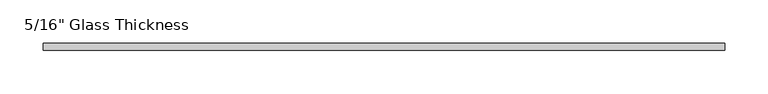
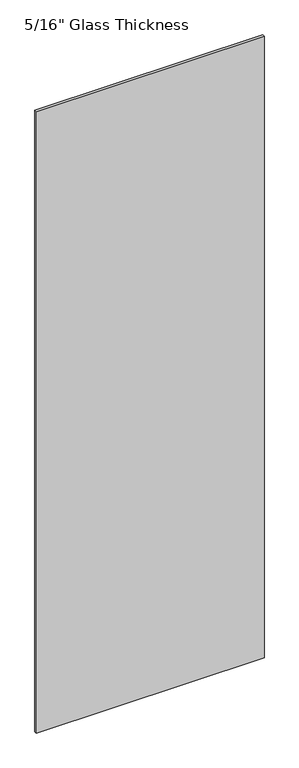
"""IFC4 building model written with IfcOpenShell, lengths in millimetres: plate geometry."""

from ifc_helpers import new_model, si_unit, origin, origin_with_axes, place, context, project, spatial, polyline, outline, extrude, source, transform, mapped, element, save


def plate_de87d7df(model_context):
    return source(origin(), model_context, "Body", "SweptSolid", [
        extrude(outline(polyline([(393.0, 0.0), (-393.0, 0.0), (-393.0, 8.0), (393.0, 8.0), (393.0, 0.0)])), origin_with_axes(), (0.0, 0.0, 1.0), 2267.0),
    ])


if __name__ == "__main__":
    model = new_model("IFC4")
    model_context = context("Model", 3, world=origin())
    ifc_project = project(units=[si_unit("LENGTHUNIT", "METRE", prefix="MILLI")], contexts=[model_context])
    site = spatial("IfcSite", under=ifc_project)
    building = spatial("IfcBuilding", under=site)
    placement = place(None, origin())
    plate_shape = plate_de87d7df(model_context)
    element("IfcPlate", 1, ObjectType="5/16\" Glass Thickness", at=placement, inside=building, context=model_context, shape_type="MappedRepresentation", body=[
        mapped(plate_shape, transform((0.0, 0.0, 0.0), x_axis=(1.0, 0.0, 0.0), y_axis=(0.0, 1.0, 0.0), z_axis=(0.0, 0.0, 1.0))),
    ])
    save(model, "model.ifc")
